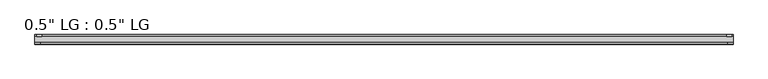
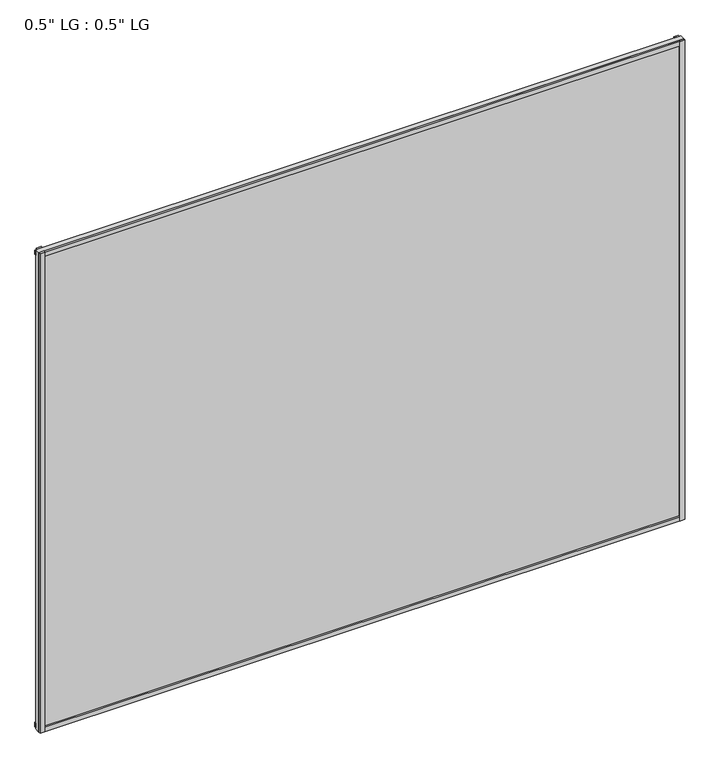
"""IFC4 building model written with IfcOpenShell, lengths in millimetres: plate geometry."""

import ifcopenshell
import ifcopenshell.guid

model = None  # the IFC model being written
_history = None  # IfcOwnerHistory: only IFC2X3 demands one
_inside = {}  # id of a spatial element -> (the spatial element, [elements in it])
_under = {}  # id of a project, library or spatial element -> (it, [spatial elements below it])
_declared = {}  # id of a project -> (the project, [libraries it declares])
_typed = {}  # id of a type object -> (the type object, [elements of that type])
_made_of = {}  # id of a material, layer set ... -> (it, [elements and type objects made of it])


def new_model(schema):
    """Start an empty IFC model of exactly this schema.

    Asked for "IFC4X3", IfcOpenShell would pick the latest addendum, in which some entities
    have other attributes; the version numbers below select the first issue.
    IFC2X3 requires an IfcOwnerHistory on every rooted entity: one is made here for all.
    """
    global model, _history
    if schema == "IFC4X3":
        model = ifcopenshell.file(schema_version=(4, 3, 0, 0))
    else:
        model = ifcopenshell.file(schema=schema)
    _inside.clear()
    _under.clear()
    _declared.clear()
    _typed.clear()
    _made_of.clear()
    _history = None
    if model.schema == "IFC2X3":
        org = make("IfcOrganization", Name="unknown")
        user = make(
            "IfcPersonAndOrganization",
            ThePerson=make("IfcPerson", FamilyName="unknown"),
            TheOrganization=org,
        )
        app = make(
            "IfcApplication",
            ApplicationDeveloper=org,
            Version="unknown",
            ApplicationFullName="unknown",
            ApplicationIdentifier="unknown",
        )
        _history = make(
            "IfcOwnerHistory",
            OwningUser=user,
            OwningApplication=app,
            ChangeAction="ADDED",
            CreationDate=0,
        )
    return model


def make(cls, **values):
    """One entity of the class cls with the attributes given. An attribute that is None is left unset."""
    return model.create_entity(
        cls, **{name: value for name, value in values.items() if value is not None}
    )


def rooted(cls, **values):
    """An entity with a GlobalId (a new one), such as an element, a storey or a relation."""
    return make(cls, GlobalId=ifcopenshell.guid.new(), OwnerHistory=_history, **values)


def si_unit(unit_type, name, prefix=None):
    """IfcSIUnit, for example si_unit("LENGTHUNIT", "METRE", prefix="MILLI")."""
    return make("IfcSIUnit", UnitType=unit_type, Prefix=prefix, Name=name)


def assignment(units):
    """IfcUnitAssignment: the units of a project."""
    return None if units is None else make("IfcUnitAssignment", Units=units)


def point(xyz):
    """IfcCartesianPoint."""
    return None if xyz is None else make("IfcCartesianPoint", Coordinates=xyz)


def direction(xyz):
    """IfcDirection."""
    return None if xyz is None else make("IfcDirection", DirectionRatios=xyz)


def frame(location, z_axis=None, x_axis=None):
    """IfcAxis2Placement3D, a coordinate frame: its origin and axes. An axis left out is left unset."""
    return make(
        "IfcAxis2Placement3D",
        Location=point(location),
        Axis=direction(z_axis),
        RefDirection=direction(x_axis),
    )


def origin():
    """The frame at (0, 0, 0) with its axes left unset."""
    return frame((0.0, 0.0, 0.0))


def origin_with_axes():
    """The frame at (0, 0, 0) with the z axis (0, 0, 1) and the x axis (1, 0, 0) written out."""
    return frame((0.0, 0.0, 0.0), z_axis=(0.0, 0.0, 1.0), x_axis=(1.0, 0.0, 0.0))


def place(relative_to, where):
    """IfcLocalPlacement: puts the frame where relative to a parent placement (None: the world)."""
    return make(
        "IfcLocalPlacement", PlacementRelTo=relative_to, RelativePlacement=where
    )


def context(
    kind, dimensions, precision=None, world=None, true_north=None, identifier=None
):
    """IfcGeometricRepresentationContext, for example the 3D "Model" context."""
    return make(
        "IfcGeometricRepresentationContext",
        ContextIdentifier=identifier,
        ContextType=kind,
        CoordinateSpaceDimension=dimensions,
        Precision=precision,
        WorldCoordinateSystem=world,
        TrueNorth=true_north,
    )


def project(units=None, contexts=None):
    """IfcProject with its units and contexts."""
    return rooted(
        "IfcProject",
        Name="project",
        RepresentationContexts=contexts,
        UnitsInContext=assignment(units),
    )


def spatial(cls, under=None, at=None, **own):
    """A site, building, storey or space (cls), placed at a placement, below another one or the project."""
    s = rooted(cls, ObjectPlacement=at, **own)
    if under is not None:
        _under.setdefault(under.id(), (under, []))[1].append(s)
    return s


def polyline(points):
    """IfcPolyline through the points."""
    return make("IfcPolyline", Points=[point(p) for p in points])


def outline(outer, holes=None, kind="AREA"):
    """IfcArbitraryClosedProfileDef: a profile drawn as a closed curve; with holes, ...WithVoids."""
    if holes is None:
        return make("IfcArbitraryClosedProfileDef", ProfileType=kind, OuterCurve=outer)
    return make(
        "IfcArbitraryProfileDefWithVoids",
        ProfileType=kind,
        OuterCurve=outer,
        InnerCurves=holes,
    )


def extrude(swept, where, along, depth):
    """IfcExtrudedAreaSolid: the profile swept, set in the frame where, extruded along a direction by depth."""
    return make(
        "IfcExtrudedAreaSolid",
        SweptArea=swept,
        Position=where,
        ExtrudedDirection=direction(along),
        Depth=depth,
    )


def shape(context_of_items, identifier, shape_type, items):
    """IfcShapeRepresentation: the items that make up one representation, for example the "Body"."""
    return make(
        "IfcShapeRepresentation",
        ContextOfItems=context_of_items,
        RepresentationIdentifier=identifier,
        RepresentationType=shape_type,
        Items=items,
    )


def source(mapping_origin, context_of_items, identifier, shape_type, items):
    """IfcRepresentationMap: a shape defined once, which mapped items show again and again."""
    return make(
        "IfcRepresentationMap",
        MappingOrigin=mapping_origin,
        MappedRepresentation=shape(context_of_items, identifier, shape_type, items),
    )


def transform(
    local_origin,
    x_axis=None,
    y_axis=None,
    z_axis=None,
    scale=None,
    scale2=None,
    scale3=None,
    uniform=True,
):
    """IfcCartesianTransformationOperator3D, or its non-uniform kind. x_axis, y_axis, z_axis: its Axis1, 2, 3."""
    if uniform:
        return make(
            "IfcCartesianTransformationOperator3D",
            Axis1=direction(x_axis),
            Axis2=direction(y_axis),
            LocalOrigin=point(local_origin),
            Scale=scale,
            Axis3=direction(z_axis),
        )
    return make(
        "IfcCartesianTransformationOperator3DnonUniform",
        Axis1=direction(x_axis),
        Axis2=direction(y_axis),
        LocalOrigin=point(local_origin),
        Scale=scale,
        Axis3=direction(z_axis),
        Scale2=scale2,
        Scale3=scale3,
    )


def mapped(mapping_source, mapping_target):
    """IfcMappedItem: shows the shape of a source again, moved by a transform."""
    return make(
        "IfcMappedItem", MappingSource=mapping_source, MappingTarget=mapping_target
    )


def made_of(thing, what):
    """Note that an element or type object is made of a material, layer set ...; save() writes the relation."""
    if what is not None:
        _made_of.setdefault(what.id(), (what, []))[1].append(thing)
    return thing


def element(
    cls,
    number,
    at=None,
    inside=None,
    cuts=None,
    type_object=None,
    material=None,
    context=None,
    identifier="Body",
    shape_type=None,
    held_by="IfcProductDefinitionShape",
    body=None,
    shapes=None,
    **own,
):
    """One element of the class cls, such as IfcWall. Its Tag is "e" and its number.

    at: its placement. inside: the storey or other place that contains it. cuts: it is an
    opening in that element (IfcRelVoidsElement). A single representation is given by context,
    identifier, shape_type and body (its items); several are given by shapes. held_by: the class
    of the entity that holds the representations. save() writes the other relations.
    """
    e = rooted(cls, Tag="e%d" % number, ObjectPlacement=at, **own)
    if body is not None:
        shapes = [shape(context, identifier, shape_type, body)]
    if shapes is not None:
        e.Representation = make(held_by, Representations=shapes)
    if inside is not None:
        _inside.setdefault(inside.id(), (inside, []))[1].append(e)
    if cuts is not None:
        rooted(
            "IfcRelVoidsElement", RelatingBuildingElement=cuts, RelatedOpeningElement=e
        )
    if type_object is not None:
        _typed.setdefault(type_object.id(), (type_object, []))[1].append(e)
    return made_of(e, material)


def aggregate(whole, parts):
    """IfcRelAggregates: a whole, such as a stair, and the parts it consists of."""
    return rooted("IfcRelAggregates", RelatingObject=whole, RelatedObjects=parts)


def save(model, path):
    """Write the relations noted so far, then the file.

    IfcRelAggregates (storeys below a building ...), IfcRelContainedInSpatialStructure (elements
    in a storey), IfcRelDefinesByType, IfcRelAssociatesMaterial and IfcRelDeclares: one each for
    every whole, place, type object, material and project.
    """
    for whole, parts in _under.values():
        aggregate(whole, parts)
    for where, things in _inside.values():
        rooted(
            "IfcRelContainedInSpatialStructure",
            RelatedElements=things,
            RelatingStructure=where,
        )
    for kind, things in _typed.values():
        rooted("IfcRelDefinesByType", RelatedObjects=things, RelatingType=kind)
    for what, things in _made_of.values():
        rooted("IfcRelAssociatesMaterial", RelatedObjects=things, RelatingMaterial=what)
    for by, libraries in _declared.values():
        rooted("IfcRelDeclares", RelatingContext=by, RelatedDefinitions=libraries)
    model.write(path)


def plate_759b85d0(model_context):
    return source(origin(), model_context, "Body", "SweptSolid", [
        extrude(outline(polyline([(825.5, -33.3271813), (825.5, -38.0007813), (813.3623204, -38.0007813), (813.3623204, -33.3271813), (825.5, -33.3271813)])), origin_with_axes(), (0.0, 0.0, 1.0), 1297.2047842),
        extrude(outline(polyline([(821.9686463, -15.5217813), (821.9686463, -19.7127813), (809.9562225, -19.7127813), (809.9562225, -15.5217813), (821.9686463, -15.5217813)])), origin_with_axes(), (0.0, 0.0, 1.0), 1297.2047842),
        extrude(outline(polyline([(-813.209422, -38.0007812), (-825.5, -38.0007812), (-825.5, -33.3271813), (-813.209422, -33.3271813), (-813.209422, -38.0007812)])), origin_with_axes(), (0.0, 0.0, 1.0), 1297.2047842),
        extrude(outline(polyline([(-809.2501841, -19.7127813), (-821.5407621, -19.7127813), (-821.5407621, -15.5217812), (-809.2501841, -15.5217812), (-809.2501841, -19.7127813)])), origin_with_axes(), (0.0, 0.0, 1.0), 1297.2047842),
        extrude(outline(polyline([(825.5, -33.3271813), (825.5, -38.0007813), (-825.5, -38.0007812), (-825.5, -33.3271813), (825.5, -33.3271813)])), origin_with_axes(), (0.0, 0.0, 1.0), 11.1693096),
        extrude(outline(polyline([(825.5, -15.3590708), (825.5, -20.1364307), (-825.5, -20.1364307), (-825.5, -15.3590708), (825.5, -15.3590708)])), frame((0.0, 0.0, 3.848913), z_axis=(0.0, 0.0, 1.0), x_axis=(1.0, 0.0, 0.0)), (0.0, 0.0, 1.0), 11.1693096),
        extrude(outline(polyline([(825.5, -33.3271813), (825.5, -38.0007813), (-825.5, -38.0007812), (-825.5, -33.3271812), (825.5, -33.3271813)])), frame((0.0, 0.0, 1286.0236783), z_axis=(0.0, 0.0, 1.0), x_axis=(1.0, 0.0, 0.0)), (0.0, 0.0, 1.0), 11.1811058),
        extrude(outline(polyline([(825.5, -15.5217813), (825.5, -19.7127813), (-825.5, -19.7127812), (-825.5, -15.5217813), (825.5, -15.5217813)])), frame((0.0, 0.0, 1281.4645316), z_axis=(0.0, 0.0, 1.0), x_axis=(1.0, 0.0, 0.0)), (0.0, 0.0, 1.0), 11.1811058),
        extrude(outline(polyline([(825.5, -33.3271812), (-825.5, -33.3271812), (-825.5, -19.7127812), (825.5, -19.7127812), (825.5, -33.3271812)])), origin_with_axes(), (0.0, 0.0, 1.0), 1297.2047842),
    ])


if __name__ == "__main__":
    model = new_model("IFC4")
    model_context = context("Model", 3, world=origin())
    ifc_project = project(units=[si_unit("LENGTHUNIT", "METRE", prefix="MILLI")], contexts=[model_context])
    site = spatial("IfcSite", under=ifc_project)
    building = spatial("IfcBuilding", under=site)
    placement = place(None, origin())
    plate_shape = plate_759b85d0(model_context)
    element("IfcPlate", 1, ObjectType="0.5\" LG : 0.5\" LG", at=placement, inside=building, context=model_context, shape_type="MappedRepresentation", body=[
        mapped(plate_shape, transform((0.0, 0.0, 0.0), x_axis=(1.0, 0.0, 0.0), y_axis=(0.0, 1.0, 0.0), z_axis=(0.0, 0.0, 1.0))),
    ])
    save(model, "model.ifc")
